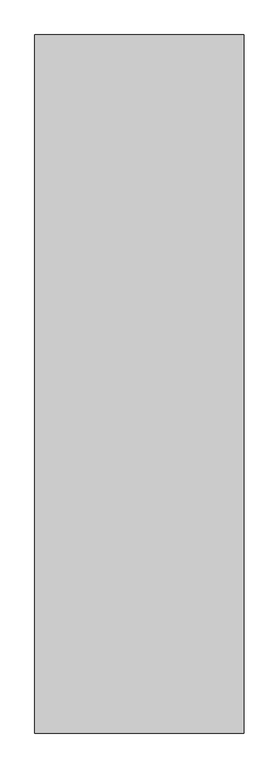
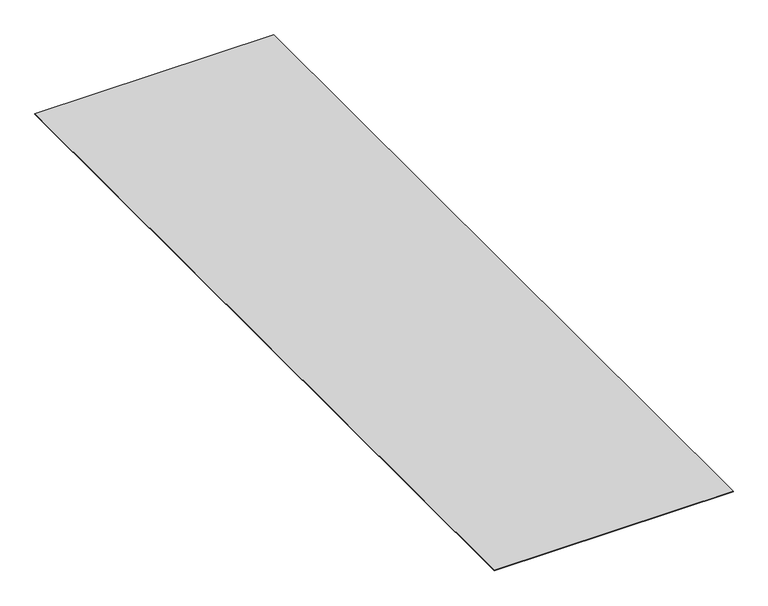
"""IFC4 building model written with IfcOpenShell, lengths in millimetres: proxy geometry."""

from ifc_helpers import new_model, si_unit, origin, origin_with_axes, place, context, project, spatial, polyline, outline, extrude, source, transform, mapped, element, save


def generic_models_43c8d0ba(model_context):
    return source(origin(), model_context, "Body", "SweptSolid", [
        extrude(outline(polyline([(6000.0, 20000.0), (6000.0, 0.0), (0.0, 0.0), (0.0, 20000.0), (6000.0, 20000.0)])), origin_with_axes(), (0.0, 0.0, 1.0), 10.0),
    ])


if __name__ == "__main__":
    model = new_model("IFC4")
    model_context = context("Model", 3, world=origin())
    ifc_project = project(units=[si_unit("LENGTHUNIT", "METRE", prefix="MILLI")], contexts=[model_context])
    site = spatial("IfcSite", under=ifc_project)
    building = spatial("IfcBuilding", under=site)
    placement = place(None, origin())
    generic_models_shape = generic_models_43c8d0ba(model_context)
    element("IfcBuildingElementProxy", 1, Name="Generic Models", at=placement, inside=building, context=model_context, shape_type="MappedRepresentation", body=[
        mapped(generic_models_shape, transform((0.0, 0.0, 0.0), x_axis=(1.0, 0.0, 0.0), y_axis=(0.0, 1.0, 0.0), z_axis=(0.0, 0.0, 1.0))),
    ])
    save(model, "model.ifc")
